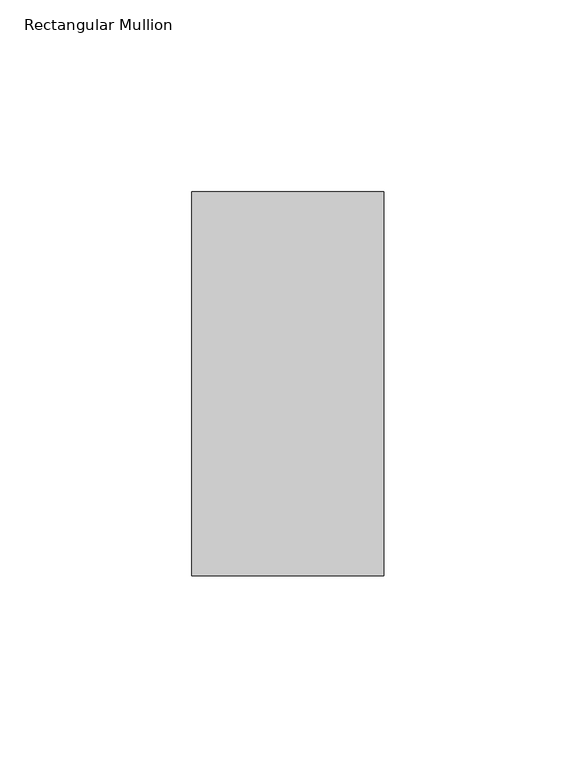
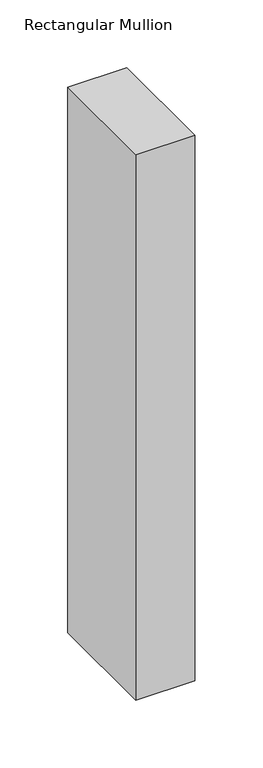
"""IFC4 building model written with IfcOpenShell, lengths in millimetres: member geometry, Rectangular Mullion."""

from ifc_helpers import new_model, si_unit, frame, origin, place, context, project, spatial, polyline, outline, extrude, source, transform, mapped, element, save


def rectangular_mullion_c58b49c5(model_context):
    return source(origin(), model_context, "Body", "SweptSolid", [
        extrude(outline(polyline([(25.0, 69.0), (25.0, -31.0), (-25.0, -31.0), (-25.0, 69.0), (25.0, 69.0)])), frame((0.0, 0.0, -490.0), z_axis=(0.0, 0.0, 1.0), x_axis=(1.0, 0.0, 0.0)), (0.0, 0.0, 1.0), 490.0),
    ])


if __name__ == "__main__":
    model = new_model("IFC4")
    model_context = context("Model", 3, world=origin())
    ifc_project = project(units=[si_unit("LENGTHUNIT", "METRE", prefix="MILLI")], contexts=[model_context])
    site = spatial("IfcSite", under=ifc_project)
    building = spatial("IfcBuilding", under=site)
    placement = place(None, origin())
    rectangular_mullion_shape = rectangular_mullion_c58b49c5(model_context)
    element("IfcMember", 1, ObjectType="Rectangular Mullion", at=placement, inside=building, context=model_context, shape_type="MappedRepresentation", body=[
        mapped(rectangular_mullion_shape, transform((0.0, 0.0, 0.0), x_axis=(1.0, 0.0, 0.0), y_axis=(0.0, 1.0, 0.0), z_axis=(0.0, 0.0, 1.0))),
    ])
    save(model, "model.ifc")
